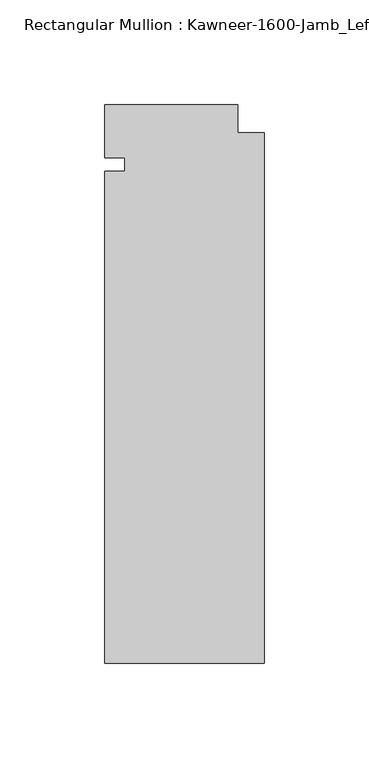
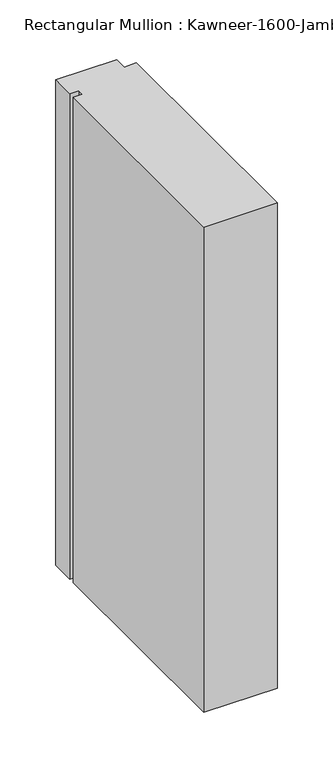
"""IFC4 building model written with IfcOpenShell, lengths in millimetres: member geometry."""

from ifc_helpers import new_model, si_unit, frame, origin, place, context, project, spatial, polyline, outline, extrude, source, transform, mapped, element, save


def member_63618428(model_context):
    return source(origin(), model_context, "Body", "SweptSolid", [
        extrude(outline(polyline([(-76.2, -3.175), (-66.675, -3.175), (-66.675, 3.175), (-76.2, 3.175), (-76.2, 28.575), (-12.7, 28.575), (-12.7, 15.08125), (0.0, 15.08125), (0.0, -238.125), (-76.2, -238.125), (-76.2, -3.175)])), frame((0.0, 0.0, -533.4), z_axis=(0.0, 0.0, 1.0), x_axis=(1.0, 0.0, 0.0)), (0.0, 0.0, 1.0), 533.4),
    ])


if __name__ == "__main__":
    model = new_model("IFC4")
    model_context = context("Model", 3, world=origin())
    ifc_project = project(units=[si_unit("LENGTHUNIT", "METRE", prefix="MILLI")], contexts=[model_context])
    site = spatial("IfcSite", under=ifc_project)
    building = spatial("IfcBuilding", under=site)
    placement = place(None, origin())
    member_shape = member_63618428(model_context)
    element("IfcMember", 1, ObjectType="Rectangular Mullion : Kawneer-1600-Jamb_Left-System1-10_1/2\"-1/4\"Infill", at=placement, inside=building, context=model_context, shape_type="MappedRepresentation", body=[
        mapped(member_shape, transform((0.0, 0.0, 0.0), x_axis=(1.0, 0.0, 0.0), y_axis=(0.0, 1.0, 0.0), z_axis=(0.0, 0.0, 1.0))),
    ])
    save(model, "model.ifc")
